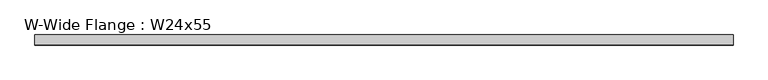
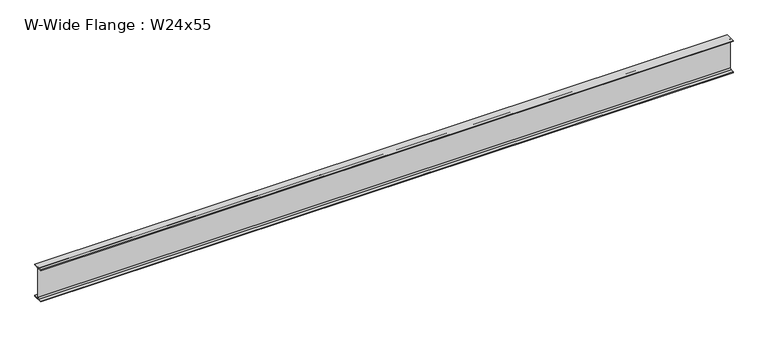
"""IFC4 building model written with IfcOpenShell, lengths in millimetres: beam geometry, W-Wide Flange : W24x55."""

from ifc_helpers import new_model, si_unit, point, frame, frame_2d, origin, place, context, project, spatial, polyline, circle_curve, trimmed, segment, composite_curve, outline, extrude, source, transform, mapped, element, save


def w_wide_flange_w24x55_c34de86a(model_context):
    return source(origin(), model_context, "Body", "SweptSolid", [
        extrude(outline(composite_curve([segment(polyline([(89.027, -286.893), (89.027, -299.72), (-89.027, -299.72), (-89.027, -286.893), (-28.702, -286.893)]), True, "CONTINUOUS"), segment(trimmed(circle_curve(frame_2d((-28.702, -263.2075)), 23.6855), [point((-28.702, -286.893))], [point((-5.0165, -263.2075))], True, "CARTESIAN"), True, "CONTINUOUS"), segment(polyline([(-5.0165, -263.2075), (-5.0165, 263.2075)]), True, "CONTINUOUS"), segment(trimmed(circle_curve(frame_2d((-28.702, 263.2075)), 23.6855), [point((-5.0165, 263.2075))], [point((-28.702, 286.893))], True, "CARTESIAN"), True, "CONTINUOUS"), segment(polyline([(-28.702, 286.893), (-89.027, 286.893), (-89.027, 299.72), (89.027, 299.72), (89.027, 286.893), (28.702, 286.893)]), True, "CONTINUOUS"), segment(trimmed(circle_curve(frame_2d((28.702, 263.2075)), 23.6855), [point((28.702, 286.893))], [point((5.0165, 263.2075))], True, "CARTESIAN"), True, "CONTINUOUS"), segment(polyline([(5.0165, 263.2075), (5.0165, -263.2075)]), True, "CONTINUOUS"), segment(trimmed(circle_curve(frame_2d((28.702, -263.2075)), 23.6855), [point((5.0165, -263.2075))], [point((28.702, -286.893))], True, "CARTESIAN"), True, "CONTINUOUS"), segment(polyline([(28.702, -286.893), (89.027, -286.893)]), True, "CONTINUOUS")], self_intersect=False)), frame((-6160.77, 0.0, 0.0), z_axis=(1.0, 0.0, 0.0), x_axis=(0.0, 1.0, 0.0)), (0.0, 0.0, 1.0), 12321.54),
    ])


if __name__ == "__main__":
    model = new_model("IFC4")
    model_context = context("Model", 3, world=origin())
    ifc_project = project(units=[si_unit("LENGTHUNIT", "METRE", prefix="MILLI")], contexts=[model_context])
    site = spatial("IfcSite", under=ifc_project)
    building = spatial("IfcBuilding", under=site)
    placement = place(None, origin())
    w_wide_flange_w24x55_shape = w_wide_flange_w24x55_c34de86a(model_context)
    element("IfcBeam", 1, ObjectType="W-Wide Flange : W24x55", at=placement, inside=building, context=model_context, shape_type="MappedRepresentation", body=[
        mapped(w_wide_flange_w24x55_shape, transform((0.0, 0.0, 0.0), x_axis=(1.0, 0.0, 0.0), y_axis=(0.0, 1.0, 0.0), z_axis=(0.0, 0.0, 1.0))),
    ])
    save(model, "model.ifc")
